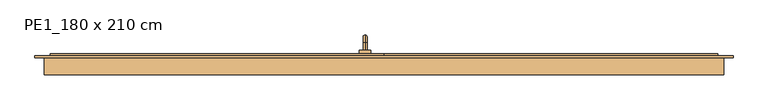
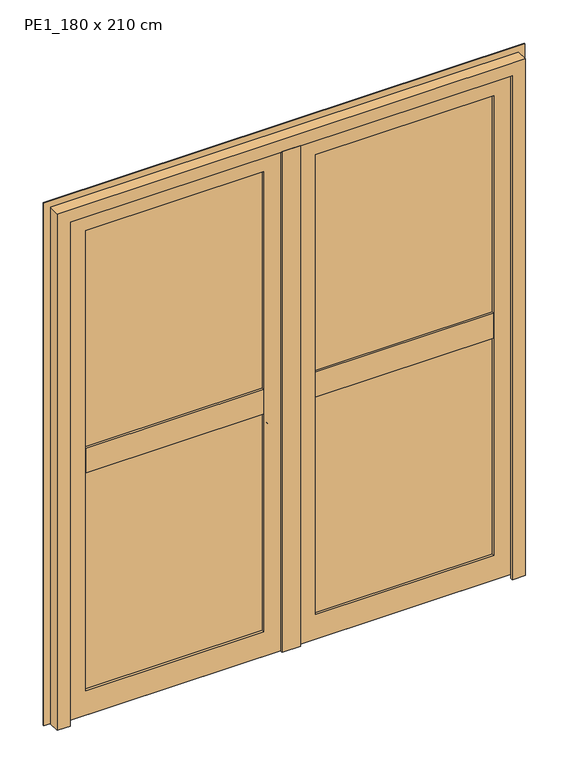
"""IFC4 building model written with IfcOpenShell, lengths in millimetres: door geometry, PE1_180 x 210 cm."""

from ifc_helpers import new_model, si_unit, point, frame, origin, place, context, project, spatial, polyline, circle_curve, ellipse_curve, trimmed, outline, extrude, faceted_brep, source, transform, mapped, element, save
from ifc_brep_helpers import plane_surface, cylinder_surface, revolved_surface, advanced_brep


def pe1_180_x_210_cm_c71338b2(model_context):
    return source(origin(), model_context, "Body", "SolidModel", [
        advanced_brep(
        [(-50.0, 169.0, 905.0), (-50.0, 188.0, 905.0), (-50.0, 188.0, 895.0), (-50.0, 169.0, 895.0), (-50.0, 209.0, 884.0), (-50.0, 199.0, 884.0), (-50.0, 209.0, 805.0), (-50.0, 199.0, 805.0), (-65.0, 169.0, 930.0), (-35.0, 169.0, 930.0), (-35.0, 169.0, 870.0), (-65.0, 169.0, 870.0), (-65.0, 159.0, 930.0), (-65.0, 159.0, 870.0), (-35.0, 159.0, 870.0), (-35.0, 159.0, 930.0)],
        [
            (0, 1),
            (1, 2, circle_curve(frame((-50.0, 188.0, 900.0), z_axis=(0.0, -1.0, 0.0), x_axis=(0.0, 0.0, -1.0)), 5.0)),
            (2, 3),
            (3, 0, circle_curve(frame((-50.0, 169.0, 900.0), z_axis=(0.0, 1.0, 0.0), x_axis=(0.0, 0.0, -1.0)), 5.0)),
            (0, 3, circle_curve(frame((-50.0, 169.0, 900.0), z_axis=(0.0, 1.0, 0.0), x_axis=(0.0, 0.0, -1.0)), 5.0)),
            (2, 1, circle_curve(frame((-50.0, 188.0, 900.0), z_axis=(0.0, -1.0, 0.0), x_axis=(0.0, 0.0, -1.0)), 5.0)),
            (1, 4, circle_curve(frame((-50.0, 188.0, 884.0), z_axis=(-1.0, 0.0, 0.0), x_axis=(0.0, 0.0, 1.0)), 21.0)),
            (4, 5, circle_curve(frame((-50.0, 204.0, 884.0), z_axis=(0.0, 0.0, 1.0), x_axis=(0.0, -1.0, 0.0)), 5.0)),
            (5, 2, circle_curve(frame((-50.0, 188.0, 884.0), z_axis=(1.0, 0.0, 0.0), x_axis=(0.0, 0.0, 1.0)), 11.0)),
            (5, 4, circle_curve(frame((-50.0, 204.0, 884.0), z_axis=(0.0, 0.0, 1.0), x_axis=(0.0, -1.0, 0.0)), 5.0)),
            (6, 7, circle_curve(frame((-50.0, 204.0, 805.0), z_axis=(0.0, 0.0, -1.0), x_axis=(0.0, -1.0, 0.0)), 5.0)),
            (7, 6, circle_curve(frame((-50.0, 204.0, 805.0), z_axis=(0.0, 0.0, -1.0), x_axis=(0.0, -1.0, 0.0)), 5.0)),
            (4, 6),
            (7, 5),
            (8, 9),
            (9, 10),
            (10, 11),
            (11, 8),
            (12, 13),
            (13, 14),
            (14, 15),
            (15, 12),
            (8, 12),
            (15, 9),
            (14, 10),
            (13, 11),
        ],
        [
            cylinder_surface(frame((-50.0, 169.0, 900.0), z_axis=(0.0, -1.0, 0.0), x_axis=(0.0, 0.0, -1.0)), 5.0),
            revolved_surface(trimmed(ellipse_curve(frame((-50.0, 188.0, 900.0), z_axis=(0.0, -1.0, 0.0), x_axis=(0.0, 0.0, -1.0)), 5.0, 5.0), [point((-50.0, 188.0, 905.0))], [point((-50.0, 188.0, 895.0))], True, "CARTESIAN"), (-50.0, 188.0, 884.0), (-1.0, 0.0, 0.0)),
            revolved_surface(trimmed(ellipse_curve(frame((-50.0, 188.0, 900.0), z_axis=(0.0, -1.0, 0.0), x_axis=(0.0, 0.0, -1.0)), 5.0, 5.0), [point((-50.0, 188.0, 895.0))], [point((-50.0, 188.0, 905.0))], True, "CARTESIAN"), (-50.0, 188.0, 884.0), (-1.0, 0.0, 0.0)),
            plane_surface(frame((-50.0, 204.0, 805.0), z_axis=(0.0, 0.0, -1.0), x_axis=(-1.0, 0.0, 0.0))),
            cylinder_surface(frame((-50.0, 204.0, 884.0), z_axis=(0.0, 0.0, 1.0), x_axis=(0.0, -1.0, 0.0)), 5.0),
            plane_surface(frame((-35.0, 169.0, 930.0), z_axis=(0.0, 1.0, 0.0), x_axis=(1.0, 0.0, 0.0))),
            plane_surface(frame((-35.0, 159.0, 930.0), z_axis=(0.0, -1.0, 0.0), x_axis=(-1.0, 0.0, 0.0))),
            plane_surface(frame((-65.0, 169.0, 930.0), z_axis=(0.0, 0.0, 1.0), x_axis=(0.0, -1.0, 0.0))),
            plane_surface(frame((-35.0, 169.0, 930.0), z_axis=(1.0, 0.0, 0.0), x_axis=(0.0, -1.0, 0.0))),
            plane_surface(frame((-35.0, 169.0, 870.0), z_axis=(0.0, 0.0, -1.0), x_axis=(0.0, -1.0, 0.0))),
            plane_surface(frame((-65.0, 169.0, 870.0), z_axis=(-1.0, 0.0, 0.0), x_axis=(0.0, -1.0, 0.0))),
        ],
        [
            (0, [[1, 2, 3, 4]]),
            (0, [[-1, 5, -3, 6]]),
            (1, [[-2, 7, 8, 9]]),
            (2, [[-6, -9, 10, -7]]),
            (3, [[11, 12]]),
            (4, [[-8, 13, -12, 14]]),
            (4, [[-10, -14, -11, -13]]),
            (5, [[15, 16, 17, 18], [-4, -5]]),
            (6, [[19, 20, 21, 22]]),
            (7, [[-15, 23, -22, 24]]),
            (8, [[-16, -24, -21, 25]]),
            (9, [[-17, -25, -20, 26]]),
            (10, [[-18, -26, -19, -23]]),
        ],
    ),
        extrude(outline(polyline([(149.0, 22.0), (149.0, 7.0), (144.0, 7.0), (144.0, 12.0), (129.0, 12.0), (129.0, 7.0), (124.0, 7.0), (124.0, 22.0), (149.0, 22.0)])), frame((0.0, 0.0, 0.0), z_axis=(1.0, 0.0, 0.0), x_axis=(0.0, 1.0, 0.0)), (0.0, 0.0, 1.0), 885.0),
        extrude(outline(polyline([(149.0, 22.0), (149.0, 7.0), (144.0, 7.0), (144.0, 12.0), (129.0, 12.0), (129.0, 7.0), (124.0, 7.0), (124.0, 22.0), (149.0, 22.0)])), frame((-885.0, 0.0, 0.0), z_axis=(1.0, 0.0, 0.0), x_axis=(0.0, 1.0, 0.0)), (0.0, 0.0, 1.0), 885.0),
        faceted_brep([(0.0, 114.0, 40.0), (0.0, 124.0, 40.0), (0.0, 124.0, 15.0), (0.0, 114.0, 15.0), (885.0, 114.0, 40.0), (885.0, 114.0, 15.0), (885.0, 124.0, 15.0), (885.0, 124.0, 40.0), (25.0, 114.0, 40.0), (25.0, 124.0, 40.0), (860.0, 124.0, 40.0), (860.0, 114.0, 40.0), (860.0, 114.0, 2060.0), (25.0, 114.0, 2060.0), (100.0, 114.0, 1985.0), (785.0, 114.0, 1985.0), (785.0, 114.0, 115.0), (100.0, 114.0, 115.0), (885.0, 149.0, 2085.0), (885.0, 159.0, 2085.0), (0.0, 159.0, 2085.0), (0.0, 149.0, 2085.0), (810.0, 159.0, 2010.0), (810.0, 124.0, 2010.0), (75.0, 124.0, 2010.0), (75.0, 159.0, 2010.0), (785.0, 124.0, 1985.0), (100.0, 124.0, 1985.0), (860.0, 149.0, 2060.0), (25.0, 149.0, 2060.0), (0.0, 159.0, 15.0), (0.0, 149.0, 15.0), (75.0, 124.0, 90.0), (75.0, 159.0, 90.0), (100.0, 124.0, 115.0), (25.0, 149.0, 40.0), (885.0, 159.0, 15.0), (885.0, 149.0, 15.0), (810.0, 124.0, 90.0), (810.0, 159.0, 90.0), (785.0, 124.0, 115.0), (860.0, 149.0, 40.0)], [[[0, 1, 2, 3]], [[4, 5, 6, 7]], [[1, 0, 8, 9]], [[4, 7, 10, 11]], [[2, 1, 9, 10, 7, 6]], [[3, 2, 6, 5]], [[0, 3, 5, 4, 11, 12, 13, 8], [14, 15, 16, 17]], [[18, 19, 20, 21]], [[22, 23, 24, 25]], [[26, 15, 14, 27]], [[12, 28, 29, 13]], [[21, 20, 30, 31]], [[25, 24, 32, 33]], [[27, 14, 17, 34]], [[13, 29, 35, 9, 8]], [[31, 30, 36, 37]], [[33, 32, 38, 39]], [[34, 17, 16, 40]], [[35, 41, 10, 9]], [[19, 18, 37, 36]], [[20, 19, 36, 30], [22, 25, 33, 39]], [[23, 22, 39, 38]], [[24, 23, 38, 32], [26, 27, 34, 40]], [[15, 26, 40, 16]], [[28, 12, 11, 10, 41]], [[18, 21, 31, 37], [29, 28, 41, 35]]]),
        faceted_brep([(-885.0, 159.0, 2085.0), (-885.0, 149.0, 2085.0), (0.0, 149.0, 2085.0), (0.0, 159.0, 2085.0), (-810.0, 124.0, 2010.0), (-810.0, 159.0, 2010.0), (-75.0, 159.0, 2010.0), (-75.0, 124.0, 2010.0), (-785.0, 114.0, 1985.0), (-785.0, 124.0, 1985.0), (-100.0, 124.0, 1985.0), (-100.0, 114.0, 1985.0), (-860.0, 149.0, 2060.0), (-860.0, 114.0, 2060.0), (-25.0, 114.0, 2060.0), (-25.0, 149.0, 2060.0), (0.0, 149.0, 15.0), (0.0, 159.0, 15.0), (-75.0, 159.0, 90.0), (-75.0, 124.0, 90.0), (-100.0, 124.0, 115.0), (-100.0, 114.0, 115.0), (-25.0, 114.0, 40.0), (-25.0, 124.0, 40.0), (-25.0, 149.0, 40.0), (-885.0, 149.0, 15.0), (-885.0, 159.0, 15.0), (-810.0, 159.0, 90.0), (-810.0, 124.0, 90.0), (-785.0, 124.0, 115.0), (-785.0, 114.0, 115.0), (-860.0, 149.0, 40.0), (-860.0, 124.0, 40.0), (-860.0, 114.0, 40.0), (-885.0, 114.0, 40.0), (-885.0, 114.0, 15.0), (0.0, 114.0, 15.0), (0.0, 114.0, 40.0), (0.0, 124.0, 15.0), (0.0, 124.0, 40.0), (-885.0, 124.0, 40.0), (-885.0, 124.0, 15.0)], [[[0, 1, 2, 3]], [[4, 5, 6, 7]], [[8, 9, 10, 11]], [[12, 13, 14, 15]], [[3, 2, 16, 17]], [[7, 6, 18, 19]], [[11, 10, 20, 21]], [[15, 14, 22, 23, 24]], [[17, 16, 25, 26]], [[19, 18, 27, 28]], [[21, 20, 29, 30]], [[31, 24, 23, 32]], [[1, 0, 26, 25]], [[0, 3, 17, 26], [6, 5, 27, 18]], [[5, 4, 28, 27]], [[4, 7, 19, 28], [10, 9, 29, 20]], [[9, 8, 30, 29]], [[14, 13, 33, 34, 35, 36, 37, 22], [8, 11, 21, 30]], [[13, 12, 31, 32, 33]], [[2, 1, 25, 16], [12, 15, 24, 31]], [[37, 36, 38, 39]], [[34, 40, 41, 35]], [[37, 39, 23, 22]], [[40, 34, 33, 32]], [[39, 38, 41, 40, 32, 23]], [[38, 36, 35, 41]]]),
        extrude(outline(polyline([(85.0, 124.0), (85.0, 138.0), (800.0, 138.0), (800.0, 124.0), (85.0, 124.0)])), frame((0.0, 0.0, 1085.0), z_axis=(0.0, 0.0, 1.0), x_axis=(1.0, 0.0, 0.0)), (0.0, 0.0, 1.0), 915.0),
        extrude(outline(polyline([(85.0, 124.0), (85.0, 138.0), (800.0, 138.0), (800.0, 124.0), (85.0, 124.0)])), frame((0.0, 0.0, 100.0), z_axis=(0.0, 0.0, 1.0), x_axis=(1.0, 0.0, 0.0)), (0.0, 0.0, 1.0), 915.0),
        extrude(outline(polyline([(-800.0, 124.0), (-800.0, 138.0), (-85.0, 138.0), (-85.0, 124.0), (-800.0, 124.0)])), frame((0.0, 0.0, 1085.0), z_axis=(0.0, 0.0, 1.0), x_axis=(1.0, 0.0, 0.0)), (0.0, 0.0, 1.0), 915.0),
        extrude(outline(polyline([(-800.0, 124.0), (-800.0, 138.0), (-85.0, 138.0), (-85.0, 124.0), (-800.0, 124.0)])), frame((0.0, 0.0, 100.0), z_axis=(0.0, 0.0, 1.0), x_axis=(1.0, 0.0, 0.0)), (0.0, 0.0, 1.0), 915.0),
        extrude(outline(polyline([(124.0, 1025.0), (124.0, 1000.0), (114.0, 1000.0), (114.0, 1100.0), (124.0, 1100.0), (124.0, 1075.0), (159.0, 1075.0), (159.0, 1025.0), (124.0, 1025.0)])), frame((100.0, 0.0, 0.0), z_axis=(1.0, 0.0, 0.0), x_axis=(0.0, 1.0, 0.0)), (0.0, 0.0, 1.0), 685.0),
        extrude(outline(polyline([(124.0, 1075.0), (159.0, 1075.0), (159.0, 1025.0), (124.0, 1025.0), (124.0, 1000.0), (114.0, 1000.0), (114.0, 1100.0), (124.0, 1100.0), (124.0, 1075.0)])), frame((-785.0, 0.0, 0.0), z_axis=(1.0, 0.0, 0.0), x_axis=(0.0, 1.0, 0.0)), (0.0, 0.0, 1.0), 685.0),
        extrude(outline(polyline([(-785.0, 138.0), (-785.0, 159.0), (-100.0, 159.0), (-100.0, 138.0), (-785.0, 138.0)])), frame((0.0, 0.0, 1075.0), z_axis=(0.0, 0.0, 1.0), x_axis=(1.0, 0.0, 0.0)), (0.0, 0.0, 1.0), 25.0),
        extrude(outline(polyline([(-785.0, 138.0), (-785.0, 159.0), (-100.0, 159.0), (-100.0, 138.0), (-785.0, 138.0)])), frame((0.0, 0.0, 1000.0), z_axis=(0.0, 0.0, 1.0), x_axis=(1.0, 0.0, 0.0)), (0.0, 0.0, 1.0), 25.0),
        extrude(outline(polyline([(100.0, 138.0), (100.0, 159.0), (785.0, 159.0), (785.0, 138.0), (100.0, 138.0)])), frame((0.0, 0.0, 1075.0), z_axis=(0.0, 0.0, 1.0), x_axis=(1.0, 0.0, 0.0)), (0.0, 0.0, 1.0), 25.0),
        extrude(outline(polyline([(100.0, 138.0), (100.0, 159.0), (785.0, 159.0), (785.0, 138.0), (100.0, 138.0)])), frame((0.0, 0.0, 1000.0), z_axis=(0.0, 0.0, 1.0), x_axis=(1.0, 0.0, 0.0)), (0.0, 0.0, 1.0), 25.0),
        extrude(outline(polyline([(2010.0, 75.0), (90.0, 75.0), (90.0, 810.0), (2010.0, 810.0), (2010.0, 75.0)]), holes=[polyline([(1985.0, 785.0), (115.0, 785.0), (115.0, 100.0), (1985.0, 100.0), (1985.0, 785.0)])]), frame((0.0, 138.0, 0.0), z_axis=(0.0, 1.0, 0.0), x_axis=(0.0, 0.0, 1.0)), (0.0, 0.0, 1.0), 21.0),
        faceted_brep([(25.0, 149.0, 2085.0), (-10.0, 149.0, 2085.0), (-10.0, 114.0, 2085.0), (25.0, 114.0, 2085.0), (25.0, 149.0, 15.0), (-10.0, 149.0, 15.0), (-10.0, 114.0, 15.0), (-10.0, 114.0, 2050.0), (25.0, 114.0, 2050.0), (25.0, 114.0, 15.0), (35.0, 104.0, 2050.0), (35.0, 114.0, 2050.0), (-35.0, 114.0, 2050.0), (-35.0, 104.0, 2050.0), (35.0, 104.0, 15.0), (-35.0, 104.0, 15.0), (-35.0, 114.0, 15.0), (35.0, 114.0, 15.0)], [[[0, 1, 2, 3]], [[1, 0, 4, 5]], [[2, 1, 5, 6, 7]], [[3, 2, 7, 8]], [[4, 0, 3, 8, 9]], [[10, 11, 8, 7, 12, 13]], [[14, 15, 16, 6, 5, 4, 9, 17]], [[11, 10, 14, 17]], [[8, 11, 17, 9]], [[12, 7, 6, 16]], [[13, 12, 16, 15]], [[10, 13, 15, 14]]]),
        extrude(outline(polyline([(2010.0, -810.0), (90.0, -810.0), (90.0, -75.0), (2010.0, -75.0), (2010.0, -810.0)]), holes=[polyline([(1985.0, -100.0), (115.0, -100.0), (115.0, -785.0), (1985.0, -785.0), (1985.0, -100.0)])]), frame((0.0, 138.0, 0.0), z_axis=(0.0, 1.0, 0.0), x_axis=(0.0, 0.0, 1.0)), (0.0, 0.0, 1.0), 21.0),
        faceted_brep([(-900.0, 104.0, 0.0), (-900.0, 149.0, 0.0), (-875.0, 149.0, 0.0), (-875.0, 114.0, 0.0), (-850.0, 114.0, 0.0), (-850.0, 104.0, 0.0), (-900.0, 149.0, 2100.0), (-900.0, 104.0, 2100.0), (900.0, 104.0, 2100.0), (900.0, 149.0, 2100.0), (-875.0, 114.0, 2075.0), (-875.0, 149.0, 2075.0), (875.0, 149.0, 2075.0), (875.0, 114.0, 2075.0), (-850.0, 104.0, 2050.0), (-850.0, 114.0, 2050.0), (850.0, 114.0, 2050.0), (850.0, 104.0, 2050.0), (900.0, 104.0, 0.0), (900.0, 149.0, 0.0), (875.0, 149.0, 0.0), (875.0, 114.0, 0.0), (850.0, 114.0, 0.0), (850.0, 104.0, 0.0)], [[[0, 1, 2, 3, 4, 5]], [[6, 7, 8, 9]], [[10, 11, 12, 13]], [[14, 15, 16, 17]], [[9, 8, 18, 19]], [[13, 12, 20, 21]], [[17, 16, 22, 23]], [[18, 23, 22, 21, 20, 19]], [[1, 0, 7, 6]], [[2, 1, 6, 9, 19, 20, 12, 11]], [[3, 2, 11, 10]], [[4, 3, 10, 13, 21, 22, 16, 15]], [[5, 4, 15, 14]], [[0, 5, 14, 17, 23, 18, 8, 7]]]),
        extrude(outline(polyline([(0.0, -925.0), (0.0, -890.0), (2090.0, -890.0), (2090.0, 890.0), (0.0, 890.0), (0.0, 925.0), (2125.0, 925.0), (2125.0, -925.0), (0.0, -925.0)])), frame((0.0, 149.0, 0.0), z_axis=(0.0, 1.0, 0.0), x_axis=(0.0, 0.0, 1.0)), (0.0, 0.0, 1.0), 5.0),
    ])


if __name__ == "__main__":
    model = new_model("IFC4")
    model_context = context("Model", 3, world=origin())
    ifc_project = project(units=[si_unit("LENGTHUNIT", "METRE", prefix="MILLI")], contexts=[model_context])
    site = spatial("IfcSite", under=ifc_project)
    building = spatial("IfcBuilding", under=site)
    placement = place(None, origin())
    pe1_180_x_210_cm_shape = pe1_180_x_210_cm_c71338b2(model_context)
    element("IfcDoor", 1, ObjectType="PE1_180 x 210 cm", at=placement, inside=building, context=model_context, shape_type="MappedRepresentation", body=[
        mapped(pe1_180_x_210_cm_shape, transform((0.0, 0.0, 0.0), x_axis=(1.0, 0.0, 0.0), y_axis=(0.0, 1.0, 0.0), z_axis=(0.0, 0.0, 1.0))),
    ])
    save(model, "model.ifc")
